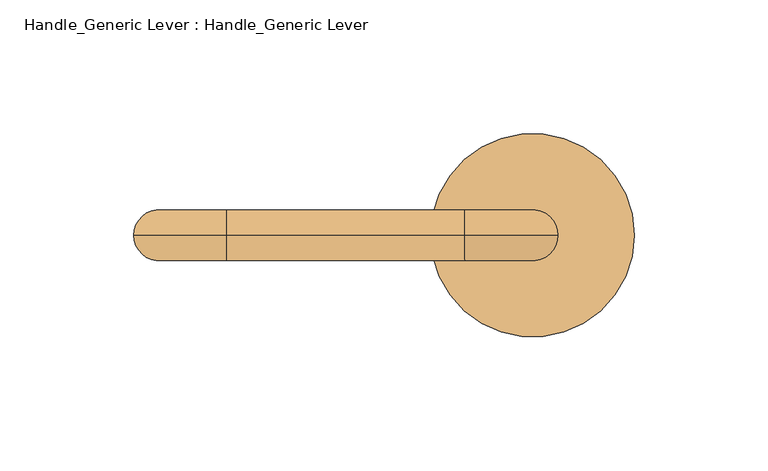
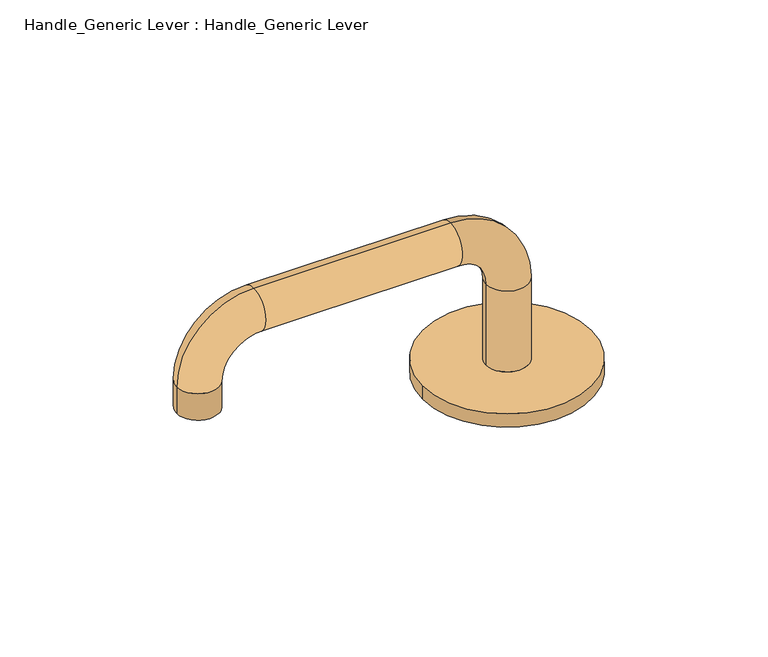
"""IFC4 building model written with IfcOpenShell, lengths in millimetres: door geometry, Handle_Generic Lever : Handle_Generic Lever."""

from ifc_helpers import new_model, si_unit, point, frame, origin, origin_with_axes, place, context, project, spatial, circle_curve, ellipse_curve, trimmed, source, transform, mapped, element, save
from ifc_brep_helpers import plane_surface, cylinder_surface, revolved_surface, advanced_brep


def handle_generic_lever_handle_generic_lever_4ff6ebb3(model_context):
    return source(origin(), model_context, "Body", "AdvancedBrep", [
        advanced_brep(
        [(-38.1, 0.0, 0.0), (38.1, 0.0, 0.0), (-9.525, 0.0, 44.8337088), (9.525, 0.0, 44.8337088), (9.525, 0.0, 6.35), (-9.525, 0.0, 6.35), (-25.4, 0.0, 60.7087088), (-25.4, 0.0, 79.7587088), (-114.3, 0.0, 60.7087088), (-114.3, 0.0, 79.7587088), (-130.175, 0.0, 44.8337088), (-149.225, 0.0, 44.8337088), (-130.175, 0.0, 32.1337088), (-149.225, 0.0, 32.1337088), (-38.1, 0.0, 6.35), (38.1, 0.0, 6.35)],
        [
            (0, 1, circle_curve(frame((0.0, 0.0, 0.0), z_axis=(0.0, 0.0, -1.0), x_axis=(1.0, 0.0, 0.0)), 38.1)),
            (1, 0, circle_curve(frame((0.0, 0.0, 0.0), z_axis=(0.0, 0.0, -1.0), x_axis=(1.0, 0.0, 0.0)), 38.1)),
            (2, 3, circle_curve(frame((0.0, 0.0, 44.8337088), z_axis=(0.0, 0.0, -1.0), x_axis=(1.0, 0.0, 0.0)), 9.525)),
            (3, 4),
            (4, 5, circle_curve(frame((0.0, 0.0, 6.35), z_axis=(0.0, 0.0, 1.0), x_axis=(1.0, 0.0, 0.0)), 9.525)),
            (5, 2),
            (3, 2, circle_curve(frame((0.0, 0.0, 44.8337088), z_axis=(0.0, 0.0, -1.0), x_axis=(1.0, 0.0, 0.0)), 9.525)),
            (5, 4, circle_curve(frame((0.0, 0.0, 6.35), z_axis=(0.0, 0.0, 1.0), x_axis=(1.0, 0.0, 0.0)), 9.525)),
            (2, 6, circle_curve(frame((-25.4, 0.0, 44.8337088), z_axis=(0.0, -1.0, 0.0), x_axis=(1.0, 0.0, 0.0)), 15.875)),
            (6, 7, circle_curve(frame((-25.4, 0.0, 70.2337088), z_axis=(1.0, 0.0, 0.0), x_axis=(0.0, 0.0, 1.0)), 9.525)),
            (7, 3, circle_curve(frame((-25.4, 0.0, 44.8337088), z_axis=(0.0, 1.0, 0.0), x_axis=(1.0, 0.0, 0.0)), 34.925)),
            (7, 6, circle_curve(frame((-25.4, 0.0, 70.2337088), z_axis=(1.0, 0.0, 0.0), x_axis=(0.0, 0.0, 1.0)), 9.525)),
            (6, 8),
            (8, 9, circle_curve(frame((-114.3, 0.0, 70.2337088), z_axis=(1.0, 0.0, 0.0), x_axis=(0.0, 0.0, 1.0)), 9.525)),
            (9, 7),
            (9, 8, circle_curve(frame((-114.3, 0.0, 70.2337088), z_axis=(1.0, 0.0, 0.0), x_axis=(0.0, 0.0, 1.0)), 9.525)),
            (8, 10, circle_curve(frame((-114.3, 0.0, 44.8337088), z_axis=(0.0, -1.0, 0.0), x_axis=(0.0, 0.0, 1.0)), 15.875)),
            (10, 11, circle_curve(frame((-139.7, 0.0, 44.8337088), z_axis=(0.0, 0.0, 1.0), x_axis=(-1.0, 0.0, 0.0)), 9.525)),
            (11, 9, circle_curve(frame((-114.3, 0.0, 44.8337088), z_axis=(0.0, 1.0, 0.0), x_axis=(0.0, 0.0, 1.0)), 34.925)),
            (11, 10, circle_curve(frame((-139.7, 0.0, 44.8337088), z_axis=(0.0, 0.0, 1.0), x_axis=(-1.0, 0.0, 0.0)), 9.525)),
            (12, 13, circle_curve(frame((-139.7, 0.0, 32.1337088), z_axis=(0.0, 0.0, -1.0), x_axis=(-1.0, 0.0, 0.0)), 9.525)),
            (13, 12, circle_curve(frame((-139.7, 0.0, 32.1337088), z_axis=(0.0, 0.0, -1.0), x_axis=(-1.0, 0.0, 0.0)), 9.525)),
            (10, 12),
            (13, 11),
            (14, 15, circle_curve(frame((0.0, 0.0, 6.35), z_axis=(0.0, 0.0, 1.0), x_axis=(1.0, 0.0, 0.0)), 38.1)),
            (15, 14, circle_curve(frame((0.0, 0.0, 6.35), z_axis=(0.0, 0.0, 1.0), x_axis=(1.0, 0.0, 0.0)), 38.1)),
            (14, 0),
            (1, 15),
        ],
        [
            plane_surface(frame((0.0, 0.0, 0.0), z_axis=(0.0, 0.0, -1.0), x_axis=(0.0, -1.0, 0.0))),
            cylinder_surface(frame((0.0, 0.0, 0.0), z_axis=(0.0, 0.0, -1.0), x_axis=(1.0, 0.0, 0.0)), 9.525),
            revolved_surface(trimmed(ellipse_curve(frame((0.0, 0.0, 44.8337088), z_axis=(0.0, 0.0, -1.0), x_axis=(1.0, 0.0, 0.0)), 9.525, 9.525), [point((-9.525, 0.0, 44.8337088))], [point((9.525, 0.0, 44.8337088))], True, "CARTESIAN"), (-25.4, 0.0, 44.8337088), (0.0, -1.0, 0.0)),
            revolved_surface(trimmed(ellipse_curve(frame((0.0, 0.0, 44.8337088), z_axis=(0.0, 0.0, -1.0), x_axis=(1.0, 0.0, 0.0)), 9.525, 9.525), [point((9.525, 0.0, 44.8337088))], [point((-9.525, 0.0, 44.8337088))], True, "CARTESIAN"), (-25.4, 0.0, 44.8337088), (0.0, -1.0, 0.0)),
            cylinder_surface(frame((-25.4, 0.0, 70.2337088), z_axis=(1.0, 0.0, 0.0), x_axis=(0.0, 0.0, 1.0)), 9.525),
            revolved_surface(trimmed(ellipse_curve(frame((-114.3, 0.0, 70.2337088), z_axis=(1.0, 0.0, 0.0), x_axis=(0.0, 0.0, 1.0)), 9.525, 9.525), [point((-114.3, 0.0, 60.7087088))], [point((-114.3, 0.0, 79.7587088))], True, "CARTESIAN"), (-114.3, 0.0, 44.8337088), (0.0, -1.0, 0.0)),
            revolved_surface(trimmed(ellipse_curve(frame((-114.3, 0.0, 70.2337088), z_axis=(1.0, 0.0, 0.0), x_axis=(0.0, 0.0, 1.0)), 9.525, 9.525), [point((-114.3, 0.0, 79.7587088))], [point((-114.3, 0.0, 60.7087088))], True, "CARTESIAN"), (-114.3, 0.0, 44.8337088), (0.0, -1.0, 0.0)),
            plane_surface(frame((-139.7, 0.0, 32.1337088), z_axis=(0.0, 0.0, -1.0), x_axis=(0.0, -1.0, 0.0))),
            cylinder_surface(frame((-139.7, 0.0, 44.8337088), z_axis=(0.0, 0.0, 1.0), x_axis=(-1.0, 0.0, 0.0)), 9.525),
            plane_surface(frame((38.1, 0.0, 6.35), z_axis=(0.0, 0.0, 1.0), x_axis=(0.0, 1.0, 0.0))),
            cylinder_surface(origin_with_axes(), 38.1),
        ],
        [
            (0, [[1, 2]]),
            (1, [[3, 4, 5, 6]]),
            (1, [[7, -6, 8, -4]]),
            (2, [[-3, 9, 10, 11]]),
            (3, [[-7, -11, 12, -9]]),
            (4, [[-10, 13, 14, 15]]),
            (4, [[-12, -15, 16, -13]]),
            (5, [[-14, 17, 18, 19]]),
            (6, [[-16, -19, 20, -17]]),
            (7, [[21, 22]]),
            (8, [[-18, 23, -22, 24]]),
            (8, [[-20, -24, -21, -23]]),
            (9, [[25, 26], [-5, -8]]),
            (10, [[-25, 27, -2, 28]]),
            (10, [[-26, -28, -1, -27]]),
        ],
    ),
    ])


if __name__ == "__main__":
    model = new_model("IFC4")
    model_context = context("Model", 3, world=origin())
    ifc_project = project(units=[si_unit("LENGTHUNIT", "METRE", prefix="MILLI")], contexts=[model_context])
    site = spatial("IfcSite", under=ifc_project)
    building = spatial("IfcBuilding", under=site)
    placement = place(None, origin())
    handle_generic_lever_handle_generic_lever_shape = handle_generic_lever_handle_generic_lever_4ff6ebb3(model_context)
    element("IfcDoor", 1, ObjectType="Handle_Generic Lever : Handle_Generic Lever", at=placement, inside=building, context=model_context, shape_type="MappedRepresentation", body=[
        mapped(handle_generic_lever_handle_generic_lever_shape, transform((0.0, 0.0, 0.0), x_axis=(1.0, 0.0, 0.0), y_axis=(0.0, 1.0, 0.0), z_axis=(0.0, 0.0, 1.0))),
    ])
    save(model, "model.ifc")
